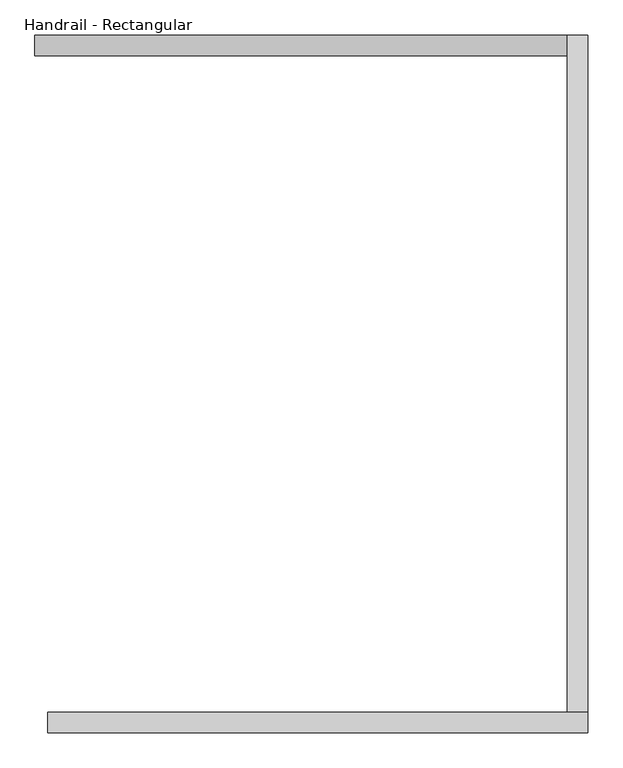
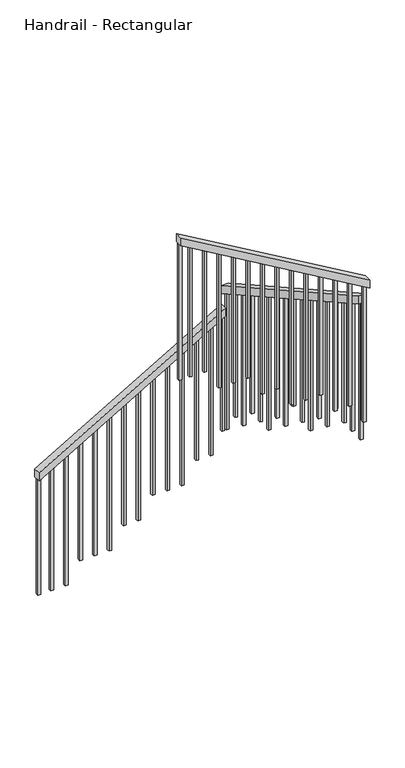
"""IFC4 building model written with IfcOpenShell, lengths in millimetres: railing geometry, Handrail - Rectangular."""

from ifc_helpers import new_model, si_unit, frame, origin, place, context, project, spatial, polyline, outline, extrude, source, transform, mapped, element, save


def handrail_rectangular_cfaf5ffa(model_context):
    return source(origin(), model_context, "Body", "SweptSolid", [
        extrude(outline(polyline([(1216.5052632, 1234.6563517), (1157.6506912, 1234.6563517), (1921.8918855, 2541.0063517), (1980.7464575, 2541.0063517), (1216.5052632, 1234.6563517)])), frame((0.0, 3422.4830185, 0.0), z_axis=(0.0, 1.0, 0.0), x_axis=(0.0, 0.0, 1.0)), (0.0, 0.0, 1.0), 50.8),
        extrude(outline(polyline([(3473.2830185, 2114.9213723), (3473.2830185, 2056.7066119), (1810.8558469, 2987.1075281), (1810.8558469, 3045.3222885), (3473.2830185, 2114.9213723)])), frame((2541.0063517, 0.0, 0.0), z_axis=(1.0, 0.0, 0.0), x_axis=(0.0, 1.0, 0.0)), (0.0, 0.0, 1.0), 50.8),
        extrude(outline(polyline([(3120.159598, 2591.8063517), (3179.01417, 2591.8063517), (3954.4, 1266.4063517), (3895.545428, 1266.4063517), (3120.159598, 2591.8063517)])), frame((0.0, 1760.0558469, 0.0), z_axis=(0.0, 1.0, 0.0), x_axis=(0.0, 0.0, 1.0)), (0.0, 0.0, 1.0), 50.8),
        extrude(outline(polyline([(3842.7034746, 1356.7313517), (3853.8481102, 1337.6813517), (2887.8947368, 1337.6813517), (2887.8947368, 1356.7313517), (3842.7034746, 1356.7313517)])), frame((0.0, 1775.9308469, 0.0), z_axis=(0.0, 1.0, 0.0), x_axis=(0.0, 0.0, 1.0)), (0.0, 0.0, 1.0), 19.05),
        extrude(outline(polyline([(3783.2654179, 1458.3313517), (3794.4100535, 1439.2813517), (2887.8947368, 1439.2813517), (2887.8947368, 1458.3313517), (3783.2654179, 1458.3313517)])), frame((0.0, 1775.9308469, 0.0), z_axis=(0.0, 1.0, 0.0), x_axis=(0.0, 0.0, 1.0)), (0.0, 0.0, 1.0), 19.05),
        extrude(outline(polyline([(3723.8273612, 1559.9313517), (3734.9719968, 1540.8813517), (2735.7894737, 1540.8813517), (2735.7894737, 1559.9313517), (3723.8273612, 1559.9313517)])), frame((0.0, 1775.9308469, 0.0), z_axis=(0.0, 1.0, 0.0), x_axis=(0.0, 0.0, 1.0)), (0.0, 0.0, 1.0), 19.05),
        extrude(outline(polyline([(3664.3893045, 1661.5313517), (3675.5339401, 1642.4813517), (2735.7894737, 1642.4813517), (2735.7894737, 1661.5313517), (3664.3893045, 1661.5313517)])), frame((0.0, 1775.9308469, 0.0), z_axis=(0.0, 1.0, 0.0), x_axis=(0.0, 0.0, 1.0)), (0.0, 0.0, 1.0), 19.05),
        extrude(outline(polyline([(3604.9512478, 1763.1313517), (3616.0958835, 1744.0813517), (2735.7894737, 1744.0813517), (2735.7894737, 1763.1313517), (3604.9512478, 1763.1313517)])), frame((0.0, 1775.9308469, 0.0), z_axis=(0.0, 1.0, 0.0), x_axis=(0.0, 0.0, 1.0)), (0.0, 0.0, 1.0), 19.05),
        extrude(outline(polyline([(3545.5131912, 1864.7313517), (3556.6578268, 1845.6813517), (2583.6842105, 1845.6813517), (2583.6842105, 1864.7313517), (3545.5131912, 1864.7313517)])), frame((0.0, 1775.9308469, 0.0), z_axis=(0.0, 1.0, 0.0), x_axis=(0.0, 0.0, 1.0)), (0.0, 0.0, 1.0), 19.05),
        extrude(outline(polyline([(3486.0751345, 1966.3313517), (3497.2197701, 1947.2813517), (2583.6842105, 1947.2813517), (2583.6842105, 1966.3313517), (3486.0751345, 1966.3313517)])), frame((0.0, 1775.9308469, 0.0), z_axis=(0.0, 1.0, 0.0), x_axis=(0.0, 0.0, 1.0)), (0.0, 0.0, 1.0), 19.05),
        extrude(outline(polyline([(3426.6370778, 2067.9313517), (3437.7817134, 2048.8813517), (2431.5789474, 2048.8813517), (2431.5789474, 2067.9313517), (3426.6370778, 2067.9313517)])), frame((0.0, 1775.9308469, 0.0), z_axis=(0.0, 1.0, 0.0), x_axis=(0.0, 0.0, 1.0)), (0.0, 0.0, 1.0), 19.05),
        extrude(outline(polyline([(3367.1990211, 2169.5313517), (3378.3436567, 2150.4813517), (2431.5789474, 2150.4813517), (2431.5789474, 2169.5313517), (3367.1990211, 2169.5313517)])), frame((0.0, 1775.9308469, 0.0), z_axis=(0.0, 1.0, 0.0), x_axis=(0.0, 0.0, 1.0)), (0.0, 0.0, 1.0), 19.05),
        extrude(outline(polyline([(3307.7609644, 2271.1313517), (3318.9056001, 2252.0813517), (2431.5789474, 2252.0813517), (2431.5789474, 2271.1313517), (3307.7609644, 2271.1313517)])), frame((0.0, 1775.9308469, 0.0), z_axis=(0.0, 1.0, 0.0), x_axis=(0.0, 0.0, 1.0)), (0.0, 0.0, 1.0), 19.05),
        extrude(outline(polyline([(3248.3229078, 2372.7313517), (3259.4675434, 2353.6813517), (2279.4736842, 2353.6813517), (2279.4736842, 2372.7313517), (3248.3229078, 2372.7313517)])), frame((0.0, 1775.9308469, 0.0), z_axis=(0.0, 1.0, 0.0), x_axis=(0.0, 0.0, 1.0)), (0.0, 0.0, 1.0), 19.05),
        extrude(outline(polyline([(3188.8848511, 2474.3313517), (3200.0294867, 2455.2813517), (2279.4736842, 2455.2813517), (2279.4736842, 2474.3313517), (3188.8848511, 2474.3313517)])), frame((0.0, 1775.9308469, 0.0), z_axis=(0.0, 1.0, 0.0), x_axis=(0.0, 0.0, 1.0)), (0.0, 0.0, 1.0), 19.05),
        extrude(outline(polyline([(1812.7580185, 2986.0429508), (1831.8080185, 2975.3813484), (1831.8080185, 1975.2631579), (1812.7580185, 1975.2631579), (1812.7580185, 2986.0429508)])), frame((2556.8813517, 0.0, 0.0), z_axis=(1.0, 0.0, 0.0), x_axis=(0.0, 1.0, 0.0)), (0.0, 0.0, 1.0), 19.05),
        extrude(outline(polyline([(1914.3580185, 2929.1810716), (1933.4080185, 2918.5194692), (1933.4080185, 1975.2631579), (1914.3580185, 1975.2631579), (1914.3580185, 2929.1810716)])), frame((2556.8813517, 0.0, 0.0), z_axis=(1.0, 0.0, 0.0), x_axis=(0.0, 1.0, 0.0)), (0.0, 0.0, 1.0), 19.05),
        extrude(outline(polyline([(2015.9580185, 2872.3191923), (2035.0080185, 2861.65759), (2035.0080185, 1975.2631579), (2015.9580185, 1975.2631579), (2015.9580185, 2872.3191923)])), frame((2556.8813517, 0.0, 0.0), z_axis=(1.0, 0.0, 0.0), x_axis=(0.0, 1.0, 0.0)), (0.0, 0.0, 1.0), 19.05),
        extrude(outline(polyline([(2117.5580185, 2815.4573131), (2136.6080185, 2804.7957107), (2136.6080185, 2004.4559826), (2117.5580185, 2015.1175849), (2117.5580185, 2815.4573131)])), frame((2556.8813517, 0.0, 0.0), z_axis=(1.0, 0.0, 0.0), x_axis=(0.0, 1.0, 0.0)), (0.0, 0.0, 1.0), 19.05),
        extrude(outline(polyline([(2219.1580185, 2758.5954338), (2238.2080185, 2747.9338315), (2238.2080185, 1823.1578947), (2219.1580185, 1823.1578947), (2219.1580185, 2758.5954338)])), frame((2556.8813517, 0.0, 0.0), z_axis=(1.0, 0.0, 0.0), x_axis=(0.0, 1.0, 0.0)), (0.0, 0.0, 1.0), 19.05),
        extrude(outline(polyline([(2320.7580185, 2701.7335546), (2339.8080185, 2691.0719522), (2339.8080185, 1823.1578947), (2320.7580185, 1823.1578947), (2320.7580185, 2701.7335546)])), frame((2556.8813517, 0.0, 0.0), z_axis=(1.0, 0.0, 0.0), x_axis=(0.0, 1.0, 0.0)), (0.0, 0.0, 1.0), 19.05),
        extrude(outline(polyline([(2422.3580185, 2644.8716753), (2441.4080185, 2634.210073), (2441.4080185, 1671.0526316), (2422.3580185, 1671.0526316), (2422.3580185, 2644.8716753)])), frame((2556.8813517, 0.0, 0.0), z_axis=(1.0, 0.0, 0.0), x_axis=(0.0, 1.0, 0.0)), (0.0, 0.0, 1.0), 19.05),
        extrude(outline(polyline([(2523.9580185, 2588.0097961), (2543.0080185, 2577.3481937), (2543.0080185, 1671.0526316), (2523.9580185, 1671.0526316), (2523.9580185, 2588.0097961)])), frame((2556.8813517, 0.0, 0.0), z_axis=(1.0, 0.0, 0.0), x_axis=(0.0, 1.0, 0.0)), (0.0, 0.0, 1.0), 19.05),
        extrude(outline(polyline([(2625.5580185, 2531.1479168), (2644.6080185, 2520.4863145), (2644.6080185, 1720.1465863), (2625.5580185, 1730.8081887), (2625.5580185, 2531.1479168)])), frame((2556.8813517, 0.0, 0.0), z_axis=(1.0, 0.0, 0.0), x_axis=(0.0, 1.0, 0.0)), (0.0, 0.0, 1.0), 19.05),
        extrude(outline(polyline([(2727.1580185, 2474.2860376), (2746.2080185, 2463.6244352), (2746.2080185, 1518.9473684), (2727.1580185, 1518.9473684), (2727.1580185, 2474.2860376)])), frame((2556.8813517, 0.0, 0.0), z_axis=(1.0, 0.0, 0.0), x_axis=(0.0, 1.0, 0.0)), (0.0, 0.0, 1.0), 19.05),
        extrude(outline(polyline([(2828.7580185, 2417.4241584), (2847.8080185, 2406.762556), (2847.8080185, 1518.9473684), (2828.7580185, 1518.9473684), (2828.7580185, 2417.4241584)])), frame((2556.8813517, 0.0, 0.0), z_axis=(1.0, 0.0, 0.0), x_axis=(0.0, 1.0, 0.0)), (0.0, 0.0, 1.0), 19.05),
        extrude(outline(polyline([(2930.3580185, 2360.5622791), (2949.4080185, 2349.9006768), (2949.4080185, 1366.8421053), (2930.3580185, 1366.8421053), (2930.3580185, 2360.5622791)])), frame((2556.8813517, 0.0, 0.0), z_axis=(1.0, 0.0, 0.0), x_axis=(0.0, 1.0, 0.0)), (0.0, 0.0, 1.0), 19.05),
        extrude(outline(polyline([(3031.9580185, 2303.7003999), (3051.0080185, 2293.0387975), (3051.0080185, 1366.8421053), (3031.9580185, 1366.8421053), (3031.9580185, 2303.7003999)])), frame((2556.8813517, 0.0, 0.0), z_axis=(1.0, 0.0, 0.0), x_axis=(0.0, 1.0, 0.0)), (0.0, 0.0, 1.0), 19.05),
        extrude(outline(polyline([(3133.5580185, 2246.8385206), (3152.6080185, 2236.1769183), (3152.6080185, 1366.8421053), (3133.5580185, 1366.8421053), (3133.5580185, 2246.8385206)])), frame((2556.8813517, 0.0, 0.0), z_axis=(1.0, 0.0, 0.0), x_axis=(0.0, 1.0, 0.0)), (0.0, 0.0, 1.0), 19.05),
        extrude(outline(polyline([(3235.1580185, 2189.9766414), (3254.2080185, 2179.315039), (3254.2080185, 1214.7368421), (3235.1580185, 1214.7368421), (3235.1580185, 2189.9766414)])), frame((2556.8813517, 0.0, 0.0), z_axis=(1.0, 0.0, 0.0), x_axis=(0.0, 1.0, 0.0)), (0.0, 0.0, 1.0), 19.05),
        extrude(outline(polyline([(3336.7580185, 2133.1147621), (3355.8080185, 2122.4531598), (3355.8080185, 1214.7368421), (3336.7580185, 1214.7368421), (3336.7580185, 2133.1147621)])), frame((2556.8813517, 0.0, 0.0), z_axis=(1.0, 0.0, 0.0), x_axis=(0.0, 1.0, 0.0)), (0.0, 0.0, 1.0), 19.05),
        extrude(outline(polyline([(1876.4796891, 2463.3813517), (1865.3350535, 2444.3313517), (910.5263158, 2444.3313517), (910.5263158, 2463.3813517), (1876.4796891, 2463.3813517)])), frame((0.0, 3438.3580185, 0.0), z_axis=(0.0, 1.0, 0.0), x_axis=(0.0, 0.0, 1.0)), (0.0, 0.0, 1.0), 19.05),
        extrude(outline(polyline([(1817.0416325, 2361.7813517), (1805.8969968, 2342.7313517), (910.5263158, 2342.7313517), (910.5263158, 2361.7813517), (1817.0416325, 2361.7813517)])), frame((0.0, 3438.3580185, 0.0), z_axis=(0.0, 1.0, 0.0), x_axis=(0.0, 0.0, 1.0)), (0.0, 0.0, 1.0), 19.05),
        extrude(outline(polyline([(1757.6035758, 2260.1813517), (1746.4589401, 2241.1313517), (758.4210526, 2241.1313517), (758.4210526, 2260.1813517), (1757.6035758, 2260.1813517)])), frame((0.0, 3438.3580185, 0.0), z_axis=(0.0, 1.0, 0.0), x_axis=(0.0, 0.0, 1.0)), (0.0, 0.0, 1.0), 19.05),
        extrude(outline(polyline([(1698.1655191, 2158.5813517), (1687.0208835, 2139.5313517), (758.4210526, 2139.5313517), (758.4210526, 2158.5813517), (1698.1655191, 2158.5813517)])), frame((0.0, 3438.3580185, 0.0), z_axis=(0.0, 1.0, 0.0), x_axis=(0.0, 0.0, 1.0)), (0.0, 0.0, 1.0), 19.05),
        extrude(outline(polyline([(1638.7274624, 2056.9813517), (1627.5828268, 2037.9313517), (758.4210526, 2037.9313517), (758.4210526, 2056.9813517), (1638.7274624, 2056.9813517)])), frame((0.0, 3438.3580185, 0.0), z_axis=(0.0, 1.0, 0.0), x_axis=(0.0, 0.0, 1.0)), (0.0, 0.0, 1.0), 19.05),
        extrude(outline(polyline([(1579.2894057, 1955.3813517), (1568.1447701, 1936.3313517), (606.3157895, 1936.3313517), (606.3157895, 1955.3813517), (1579.2894057, 1955.3813517)])), frame((0.0, 3438.3580185, 0.0), z_axis=(0.0, 1.0, 0.0), x_axis=(0.0, 0.0, 1.0)), (0.0, 0.0, 1.0), 19.05),
        extrude(outline(polyline([(1519.8513491, 1853.7813517), (1508.7067134, 1834.7313517), (606.3157895, 1834.7313517), (606.3157895, 1853.7813517), (1519.8513491, 1853.7813517)])), frame((0.0, 3438.3580185, 0.0), z_axis=(0.0, 1.0, 0.0), x_axis=(0.0, 0.0, 1.0)), (0.0, 0.0, 1.0), 19.05),
        extrude(outline(polyline([(1460.4132924, 1752.1813517), (1449.2686567, 1733.1313517), (454.2105263, 1733.1313517), (454.2105263, 1752.1813517), (1460.4132924, 1752.1813517)])), frame((0.0, 3438.3580185, 0.0), z_axis=(0.0, 1.0, 0.0), x_axis=(0.0, 0.0, 1.0)), (0.0, 0.0, 1.0), 19.05),
        extrude(outline(polyline([(1400.9752357, 1650.5813517), (1389.8306001, 1631.5313517), (454.2105263, 1631.5313517), (454.2105263, 1650.5813517), (1400.9752357, 1650.5813517)])), frame((0.0, 3438.3580185, 0.0), z_axis=(0.0, 1.0, 0.0), x_axis=(0.0, 0.0, 1.0)), (0.0, 0.0, 1.0), 19.05),
        extrude(outline(polyline([(1341.537179, 1548.9813517), (1330.3925434, 1529.9313517), (454.2105263, 1529.9313517), (454.2105263, 1548.9813517), (1341.537179, 1548.9813517)])), frame((0.0, 3438.3580185, 0.0), z_axis=(0.0, 1.0, 0.0), x_axis=(0.0, 0.0, 1.0)), (0.0, 0.0, 1.0), 19.05),
        extrude(outline(polyline([(1282.0991223, 1447.3813517), (1270.9544867, 1428.3313517), (302.1052632, 1428.3313517), (302.1052632, 1447.3813517), (1282.0991223, 1447.3813517)])), frame((0.0, 3438.3580185, 0.0), z_axis=(0.0, 1.0, 0.0), x_axis=(0.0, 0.0, 1.0)), (0.0, 0.0, 1.0), 19.05),
        extrude(outline(polyline([(1222.6610657, 1345.7813517), (1211.51643, 1326.7313517), (302.1052632, 1326.7313517), (302.1052632, 1345.7813517), (1222.6610657, 1345.7813517)])), frame((0.0, 3438.3580185, 0.0), z_axis=(0.0, 1.0, 0.0), x_axis=(0.0, 0.0, 1.0)), (0.0, 0.0, 1.0), 19.05),
        extrude(outline(polyline([(3129.4467944, 2575.9313517), (3140.59143, 2556.8813517), (2127.3684211, 2556.8813517), (2127.3684211, 2575.9313517), (3129.4467944, 2575.9313517)])), frame((0.0, 1775.9308469, 0.0), z_axis=(0.0, 1.0, 0.0), x_axis=(0.0, 0.0, 1.0)), (0.0, 0.0, 1.0), 19.05),
        extrude(outline(polyline([(1807.6808469, 2988.8844618), (1826.7308469, 2978.2228595), (1826.7308469, 2127.3684211), (1807.6808469, 2127.3684211), (1807.6808469, 2988.8844618)])), frame((2556.8813517, 0.0, 0.0), z_axis=(1.0, 0.0, 0.0), x_axis=(0.0, 1.0, 0.0)), (0.0, 0.0, 1.0), 19.05),
        extrude(outline(polyline([(3438.3580185, 2076.2528829), (3457.4080185, 2065.5912805), (3457.4080185, 1062.6315789), (3438.3580185, 1062.6315789), (3438.3580185, 2076.2528829)])), frame((2556.8813517, 0.0, 0.0), z_axis=(1.0, 0.0, 0.0), x_axis=(0.0, 1.0, 0.0)), (0.0, 0.0, 1.0), 19.05),
        extrude(outline(polyline([(1923.7493248, 2544.1813517), (1912.6046891, 2525.1313517), (1062.6315789, 2525.1313517), (1062.6315789, 2544.1813517), (1923.7493248, 2544.1813517)])), frame((0.0, 3438.3580185, 0.0), z_axis=(0.0, 1.0, 0.0), x_axis=(0.0, 0.0, 1.0)), (0.0, 0.0, 1.0), 19.05),
        extrude(outline(polyline([(3884.4007924, 1285.4563517), (3895.545428, 1266.4063517), (2887.8947368, 1266.4063517), (2887.8947368, 1285.4563517), (3884.4007924, 1285.4563517)])), frame((0.0, 1775.9308469, 0.0), z_axis=(0.0, 1.0, 0.0), x_axis=(0.0, 0.0, 1.0)), (0.0, 0.0, 1.0), 19.05),
        extrude(outline(polyline([(1168.7953268, 1253.7063517), (1157.6506912, 1234.6563517), (302.1052632, 1234.6563517), (302.1052632, 1253.7063517), (1168.7953268, 1253.7063517)])), frame((0.0, 3438.3580185, 0.0), z_axis=(0.0, 1.0, 0.0), x_axis=(0.0, 0.0, 1.0)), (0.0, 0.0, 1.0), 19.05),
    ])


if __name__ == "__main__":
    model = new_model("IFC4")
    model_context = context("Model", 3, world=origin())
    ifc_project = project(units=[si_unit("LENGTHUNIT", "METRE", prefix="MILLI")], contexts=[model_context])
    site = spatial("IfcSite", under=ifc_project)
    building = spatial("IfcBuilding", under=site)
    placement = place(None, origin())
    handrail_rectangular_shape = handrail_rectangular_cfaf5ffa(model_context)
    element("IfcRailing", 1, ObjectType="Handrail - Rectangular", at=placement, inside=building, context=model_context, shape_type="MappedRepresentation", body=[
        mapped(handrail_rectangular_shape, transform((0.0, 0.0, 0.0), x_axis=(1.0, 0.0, 0.0), y_axis=(0.0, 1.0, 0.0), z_axis=(0.0, 0.0, 1.0))),
    ])
    save(model, "model.ifc")
